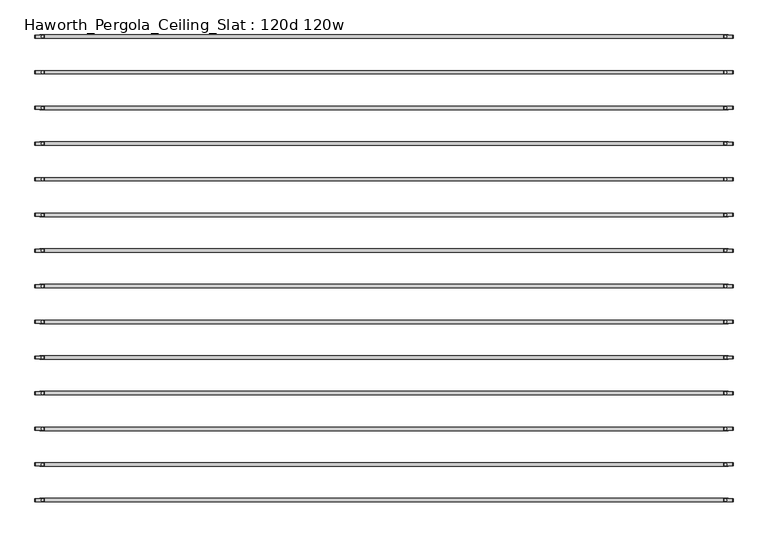
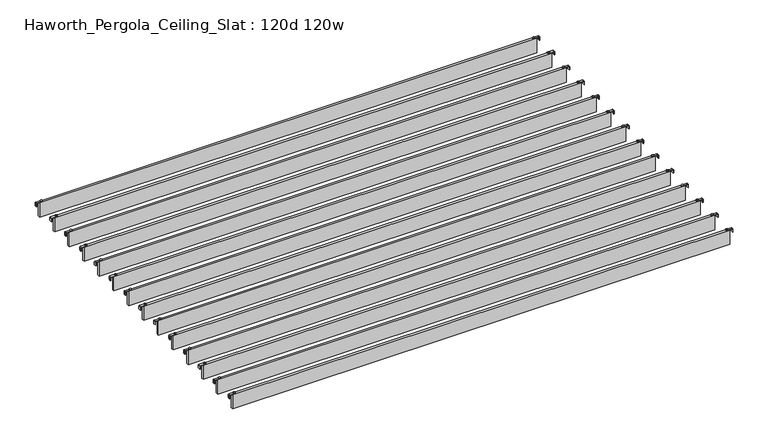
"""IFC4 building model written with IfcOpenShell, lengths in millimetres: furniture geometry, Haworth_Pergola_Ceiling_Slat : 120d 120w."""

from ifc_helpers import new_model, si_unit, point, frame, frame_2d, origin, place, context, project, spatial, polyline, circle_curve, trimmed, segment, composite_curve, outline, extrude, source, transform, mapped, element, save


def haworth_pergola_ceiling_slat_120d_120w_b44d343a(model_context):
    return source(origin(), model_context, "Body", "SweptSolid", [
        extrude(outline(composite_curve([segment(trimmed(circle_curve(frame_2d((1548.4, 2.1456316)), 5.9838099), [point((1542.4161901, 2.1456316))], [point((1554.3838099, 2.1456316))], False, "CARTESIAN"), True, "CONTINUOUS"), segment(trimmed(circle_curve(frame_2d((1548.4, 2.1456316)), 5.9838099), [point((1554.3838099, 2.1456316))], [point((1542.4161901, 2.1456316))], False, "CARTESIAN"), True, "CONTINUOUS")], self_intersect=False)), frame((0.0, 0.0, 2440.9329992), z_axis=(0.0, 0.0, 1.0), x_axis=(1.0, 0.0, 0.0)), (0.0, 0.0, 1.0), 3.4400008),
        extrude(outline(composite_curve([segment(trimmed(circle_curve(frame_2d((-1472.2, 2.1456316)), 5.9838099), [point((-1466.2161901, 2.1456316))], [point((-1478.1838099, 2.1456316))], False, "CARTESIAN"), True, "CONTINUOUS"), segment(trimmed(circle_curve(frame_2d((-1472.2, 2.1456316)), 5.9838099), [point((-1478.1838099, 2.1456316))], [point((-1466.2161901, 2.1456316))], False, "CARTESIAN"), True, "CONTINUOUS")], self_intersect=False)), frame((0.0, 0.0, 2440.9329992), z_axis=(0.0, 0.0, 1.0), x_axis=(1.0, 0.0, 0.0)), (0.0, 0.0, 1.0), 3.4400008),
        extrude(outline(composite_curve([segment(polyline([(2419.2231711, 1582.56), (2437.2499992, 1582.56)]), True, "CONTINUOUS"), segment(trimmed(circle_curve(frame_2d((2437.2499992, 1578.877)), 3.683), [point((2437.2499992, 1582.56))], [point((2440.9329992, 1578.877))], False, "CARTESIAN"), True, "CONTINUOUS"), segment(polyline([(2440.9329992, 1578.877), (2440.9329992, 1541.9), (2438.2729997, 1541.9), (2438.2729997, 1578.8905568)]), True, "CONTINUOUS"), segment(trimmed(circle_curve(frame_2d((2437.2635571, 1578.8905568)), 1.0094425), [point((2438.2729997, 1578.8905568))], [point((2437.2635571, 1579.8999993))], True, "CARTESIAN"), True, "CONTINUOUS"), segment(polyline([(2437.2635571, 1579.8999993), (2419.2231711, 1579.8999993), (2419.2231711, 1582.56)]), True, "CONTINUOUS")], self_intersect=False)), frame((0.0, -4.3473688, 0.0), z_axis=(0.0, 1.0, 0.0), x_axis=(0.0, 0.0, 1.0)), (0.0, 0.0, 1.0), 13.0),
        extrude(outline(composite_curve([segment(polyline([(2419.2231711, -1506.36), (2419.2231711, -1503.6999993), (2437.2635571, -1503.6999993)]), True, "CONTINUOUS"), segment(trimmed(circle_curve(frame_2d((2437.2635571, -1502.6905568)), 1.0094425), [point((2437.2635571, -1503.6999993))], [point((2438.2729997, -1502.6905568))], True, "CARTESIAN"), True, "CONTINUOUS"), segment(polyline([(2438.2729997, -1502.6905568), (2438.2729997, -1465.7), (2440.9329992, -1465.7), (2440.9329992, -1502.677)]), True, "CONTINUOUS"), segment(trimmed(circle_curve(frame_2d((2437.2499992, -1502.677)), 3.683), [point((2440.9329992, -1502.677))], [point((2437.2499992, -1506.36))], False, "CARTESIAN"), True, "CONTINUOUS"), segment(polyline([(2437.2499992, -1506.36), (2419.2231711, -1506.36)]), True, "CONTINUOUS")], self_intersect=False)), frame((0.0, -4.3473688, 0.0), z_axis=(0.0, 1.0, 0.0), x_axis=(0.0, 0.0, 1.0)), (0.0, 0.0, 1.0), 13.0),
        extrude(outline(polyline([(-1485.9, -5.3473684), (-1485.9, 9.6386316), (1562.1, 9.6386316), (1562.1, -5.3473684), (-1485.9, -5.3473684)])), frame((0.0, 0.0, 2346.198), z_axis=(0.0, 0.0, 1.0), x_axis=(1.0, 0.0, 0.0)), (0.0, 0.0, 1.0), 92.202),
        extrude(outline(composite_curve([segment(trimmed(circle_curve(frame_2d((1548.4, -155.6017368)), 5.9838099), [point((1542.4161901, -155.6017368))], [point((1554.3838099, -155.6017368))], False, "CARTESIAN"), True, "CONTINUOUS"), segment(trimmed(circle_curve(frame_2d((1548.4, -155.6017368)), 5.9838099), [point((1554.3838099, -155.6017368))], [point((1542.4161901, -155.6017368))], False, "CARTESIAN"), True, "CONTINUOUS")], self_intersect=False)), frame((0.0, 0.0, 2440.9329992), z_axis=(0.0, 0.0, 1.0), x_axis=(1.0, 0.0, 0.0)), (0.0, 0.0, 1.0), 3.4400008),
        extrude(outline(composite_curve([segment(trimmed(circle_curve(frame_2d((-1472.2, -155.6017368)), 5.9838099), [point((-1466.2161901, -155.6017368))], [point((-1478.1838099, -155.6017368))], False, "CARTESIAN"), True, "CONTINUOUS"), segment(trimmed(circle_curve(frame_2d((-1472.2, -155.6017368)), 5.9838099), [point((-1478.1838099, -155.6017368))], [point((-1466.2161901, -155.6017368))], False, "CARTESIAN"), True, "CONTINUOUS")], self_intersect=False)), frame((0.0, 0.0, 2440.9329992), z_axis=(0.0, 0.0, 1.0), x_axis=(1.0, 0.0, 0.0)), (0.0, 0.0, 1.0), 3.4400008),
        extrude(outline(composite_curve([segment(polyline([(2419.2231711, 1582.56), (2437.2499992, 1582.56)]), True, "CONTINUOUS"), segment(trimmed(circle_curve(frame_2d((2437.2499992, 1578.877)), 3.683), [point((2437.2499992, 1582.56))], [point((2440.9329992, 1578.877))], False, "CARTESIAN"), True, "CONTINUOUS"), segment(polyline([(2440.9329992, 1578.877), (2440.9329992, 1541.9), (2438.2729997, 1541.9), (2438.2729997, 1578.8905568)]), True, "CONTINUOUS"), segment(trimmed(circle_curve(frame_2d((2437.2635571, 1578.8905568)), 1.0094425), [point((2438.2729997, 1578.8905568))], [point((2437.2635571, 1579.8999993))], True, "CARTESIAN"), True, "CONTINUOUS"), segment(polyline([(2437.2635571, 1579.8999993), (2419.2231711, 1579.8999993), (2419.2231711, 1582.56)]), True, "CONTINUOUS")], self_intersect=False)), frame((0.0, -162.0947372, 0.0), z_axis=(0.0, 1.0, 0.0), x_axis=(0.0, 0.0, 1.0)), (0.0, 0.0, 1.0), 13.0),
        extrude(outline(composite_curve([segment(polyline([(2419.2231711, -1506.36), (2419.2231711, -1503.6999993), (2437.2635571, -1503.6999993)]), True, "CONTINUOUS"), segment(trimmed(circle_curve(frame_2d((2437.2635571, -1502.6905568)), 1.0094425), [point((2437.2635571, -1503.6999993))], [point((2438.2729997, -1502.6905568))], True, "CARTESIAN"), True, "CONTINUOUS"), segment(polyline([(2438.2729997, -1502.6905568), (2438.2729997, -1465.7), (2440.9329992, -1465.7), (2440.9329992, -1502.677)]), True, "CONTINUOUS"), segment(trimmed(circle_curve(frame_2d((2437.2499992, -1502.677)), 3.683), [point((2440.9329992, -1502.677))], [point((2437.2499992, -1506.36))], False, "CARTESIAN"), True, "CONTINUOUS"), segment(polyline([(2437.2499992, -1506.36), (2419.2231711, -1506.36)]), True, "CONTINUOUS")], self_intersect=False)), frame((0.0, -162.0947372, 0.0), z_axis=(0.0, 1.0, 0.0), x_axis=(0.0, 0.0, 1.0)), (0.0, 0.0, 1.0), 13.0),
        extrude(outline(polyline([(-1485.9, -163.0947368), (-1485.9, -148.1087368), (1562.1, -148.1087368), (1562.1, -163.0947368), (-1485.9, -163.0947368)])), frame((0.0, 0.0, 2346.198), z_axis=(0.0, 0.0, 1.0), x_axis=(1.0, 0.0, 0.0)), (0.0, 0.0, 1.0), 92.202),
        extrude(outline(composite_curve([segment(trimmed(circle_curve(frame_2d((1548.4, -313.3491053)), 5.9838099), [point((1542.4161901, -313.3491053))], [point((1554.3838099, -313.3491053))], False, "CARTESIAN"), True, "CONTINUOUS"), segment(trimmed(circle_curve(frame_2d((1548.4, -313.3491053)), 5.9838099), [point((1554.3838099, -313.3491053))], [point((1542.4161901, -313.3491053))], False, "CARTESIAN"), True, "CONTINUOUS")], self_intersect=False)), frame((0.0, 0.0, 2440.9329992), z_axis=(0.0, 0.0, 1.0), x_axis=(1.0, 0.0, 0.0)), (0.0, 0.0, 1.0), 3.4400008),
        extrude(outline(composite_curve([segment(trimmed(circle_curve(frame_2d((-1472.2, -313.3491053)), 5.9838099), [point((-1466.2161901, -313.3491053))], [point((-1478.1838099, -313.3491053))], False, "CARTESIAN"), True, "CONTINUOUS"), segment(trimmed(circle_curve(frame_2d((-1472.2, -313.3491053)), 5.9838099), [point((-1478.1838099, -313.3491053))], [point((-1466.2161901, -313.3491053))], False, "CARTESIAN"), True, "CONTINUOUS")], self_intersect=False)), frame((0.0, 0.0, 2440.9329992), z_axis=(0.0, 0.0, 1.0), x_axis=(1.0, 0.0, 0.0)), (0.0, 0.0, 1.0), 3.4400008),
        extrude(outline(composite_curve([segment(polyline([(2419.2231711, 1582.56), (2437.2499992, 1582.56)]), True, "CONTINUOUS"), segment(trimmed(circle_curve(frame_2d((2437.2499992, 1578.877)), 3.683), [point((2437.2499992, 1582.56))], [point((2440.9329992, 1578.877))], False, "CARTESIAN"), True, "CONTINUOUS"), segment(polyline([(2440.9329992, 1578.877), (2440.9329992, 1541.9), (2438.2729997, 1541.9), (2438.2729997, 1578.8905568)]), True, "CONTINUOUS"), segment(trimmed(circle_curve(frame_2d((2437.2635571, 1578.8905568)), 1.0094425), [point((2438.2729997, 1578.8905568))], [point((2437.2635571, 1579.8999993))], True, "CARTESIAN"), True, "CONTINUOUS"), segment(polyline([(2437.2635571, 1579.8999993), (2419.2231711, 1579.8999993), (2419.2231711, 1582.56)]), True, "CONTINUOUS")], self_intersect=False)), frame((0.0, -319.8421056, 0.0), z_axis=(0.0, 1.0, 0.0), x_axis=(0.0, 0.0, 1.0)), (0.0, 0.0, 1.0), 13.0),
        extrude(outline(composite_curve([segment(polyline([(2419.2231711, -1506.36), (2419.2231711, -1503.6999993), (2437.2635571, -1503.6999993)]), True, "CONTINUOUS"), segment(trimmed(circle_curve(frame_2d((2437.2635571, -1502.6905568)), 1.0094425), [point((2437.2635571, -1503.6999993))], [point((2438.2729997, -1502.6905568))], True, "CARTESIAN"), True, "CONTINUOUS"), segment(polyline([(2438.2729997, -1502.6905568), (2438.2729997, -1465.7), (2440.9329992, -1465.7), (2440.9329992, -1502.677)]), True, "CONTINUOUS"), segment(trimmed(circle_curve(frame_2d((2437.2499992, -1502.677)), 3.683), [point((2440.9329992, -1502.677))], [point((2437.2499992, -1506.36))], False, "CARTESIAN"), True, "CONTINUOUS"), segment(polyline([(2437.2499992, -1506.36), (2419.2231711, -1506.36)]), True, "CONTINUOUS")], self_intersect=False)), frame((0.0, -319.8421056, 0.0), z_axis=(0.0, 1.0, 0.0), x_axis=(0.0, 0.0, 1.0)), (0.0, 0.0, 1.0), 13.0),
        extrude(outline(polyline([(-1485.9, -320.8421053), (-1485.9, -305.8561053), (1562.1, -305.8561053), (1562.1, -320.8421053), (-1485.9, -320.8421053)])), frame((0.0, 0.0, 2346.198), z_axis=(0.0, 0.0, 1.0), x_axis=(1.0, 0.0, 0.0)), (0.0, 0.0, 1.0), 92.202),
        extrude(outline(composite_curve([segment(trimmed(circle_curve(frame_2d((1548.4, -471.0964737)), 5.9838099), [point((1542.4161901, -471.0964737))], [point((1554.3838099, -471.0964737))], False, "CARTESIAN"), True, "CONTINUOUS"), segment(trimmed(circle_curve(frame_2d((1548.4, -471.0964737)), 5.9838099), [point((1554.3838099, -471.0964737))], [point((1542.4161901, -471.0964737))], False, "CARTESIAN"), True, "CONTINUOUS")], self_intersect=False)), frame((0.0, 0.0, 2440.9329992), z_axis=(0.0, 0.0, 1.0), x_axis=(1.0, 0.0, 0.0)), (0.0, 0.0, 1.0), 3.4400008),
        extrude(outline(composite_curve([segment(trimmed(circle_curve(frame_2d((-1472.2, -471.0964737)), 5.9838099), [point((-1466.2161901, -471.0964737))], [point((-1478.1838099, -471.0964737))], False, "CARTESIAN"), True, "CONTINUOUS"), segment(trimmed(circle_curve(frame_2d((-1472.2, -471.0964737)), 5.9838099), [point((-1478.1838099, -471.0964737))], [point((-1466.2161901, -471.0964737))], False, "CARTESIAN"), True, "CONTINUOUS")], self_intersect=False)), frame((0.0, 0.0, 2440.9329992), z_axis=(0.0, 0.0, 1.0), x_axis=(1.0, 0.0, 0.0)), (0.0, 0.0, 1.0), 3.4400008),
        extrude(outline(composite_curve([segment(polyline([(2419.2231711, 1582.56), (2437.2499992, 1582.56)]), True, "CONTINUOUS"), segment(trimmed(circle_curve(frame_2d((2437.2499992, 1578.877)), 3.683), [point((2437.2499992, 1582.56))], [point((2440.9329992, 1578.877))], False, "CARTESIAN"), True, "CONTINUOUS"), segment(polyline([(2440.9329992, 1578.877), (2440.9329992, 1541.9), (2438.2729997, 1541.9), (2438.2729997, 1578.8905568)]), True, "CONTINUOUS"), segment(trimmed(circle_curve(frame_2d((2437.2635571, 1578.8905568)), 1.0094425), [point((2438.2729997, 1578.8905568))], [point((2437.2635571, 1579.8999993))], True, "CARTESIAN"), True, "CONTINUOUS"), segment(polyline([(2437.2635571, 1579.8999993), (2419.2231711, 1579.8999993), (2419.2231711, 1582.56)]), True, "CONTINUOUS")], self_intersect=False)), frame((0.0, -477.589474, 0.0), z_axis=(0.0, 1.0, 0.0), x_axis=(0.0, 0.0, 1.0)), (0.0, 0.0, 1.0), 13.0),
        extrude(outline(composite_curve([segment(polyline([(2419.2231711, -1506.36), (2419.2231711, -1503.6999993), (2437.2635571, -1503.6999993)]), True, "CONTINUOUS"), segment(trimmed(circle_curve(frame_2d((2437.2635571, -1502.6905568)), 1.0094425), [point((2437.2635571, -1503.6999993))], [point((2438.2729997, -1502.6905568))], True, "CARTESIAN"), True, "CONTINUOUS"), segment(polyline([(2438.2729997, -1502.6905568), (2438.2729997, -1465.7), (2440.9329992, -1465.7), (2440.9329992, -1502.677)]), True, "CONTINUOUS"), segment(trimmed(circle_curve(frame_2d((2437.2499992, -1502.677)), 3.683), [point((2440.9329992, -1502.677))], [point((2437.2499992, -1506.36))], False, "CARTESIAN"), True, "CONTINUOUS"), segment(polyline([(2437.2499992, -1506.36), (2419.2231711, -1506.36)]), True, "CONTINUOUS")], self_intersect=False)), frame((0.0, -477.589474, 0.0), z_axis=(0.0, 1.0, 0.0), x_axis=(0.0, 0.0, 1.0)), (0.0, 0.0, 1.0), 13.0),
        extrude(outline(polyline([(-1485.9, -478.5894737), (-1485.9, -463.6034737), (1562.1, -463.6034737), (1562.1, -478.5894737), (-1485.9, -478.5894737)])), frame((0.0, 0.0, 2346.198), z_axis=(0.0, 0.0, 1.0), x_axis=(1.0, 0.0, 0.0)), (0.0, 0.0, 1.0), 92.202),
        extrude(outline(composite_curve([segment(trimmed(circle_curve(frame_2d((1548.4, -628.8438421)), 5.9838099), [point((1542.4161901, -628.8438421))], [point((1554.3838099, -628.8438421))], False, "CARTESIAN"), True, "CONTINUOUS"), segment(trimmed(circle_curve(frame_2d((1548.4, -628.8438421)), 5.9838099), [point((1554.3838099, -628.8438421))], [point((1542.4161901, -628.8438421))], False, "CARTESIAN"), True, "CONTINUOUS")], self_intersect=False)), frame((0.0, 0.0, 2440.9329992), z_axis=(0.0, 0.0, 1.0), x_axis=(1.0, 0.0, 0.0)), (0.0, 0.0, 1.0), 3.4400008),
        extrude(outline(composite_curve([segment(trimmed(circle_curve(frame_2d((-1472.2, -628.8438421)), 5.9838099), [point((-1466.2161901, -628.8438421))], [point((-1478.1838099, -628.8438421))], False, "CARTESIAN"), True, "CONTINUOUS"), segment(trimmed(circle_curve(frame_2d((-1472.2, -628.8438421)), 5.9838099), [point((-1478.1838099, -628.8438421))], [point((-1466.2161901, -628.8438421))], False, "CARTESIAN"), True, "CONTINUOUS")], self_intersect=False)), frame((0.0, 0.0, 2440.9329992), z_axis=(0.0, 0.0, 1.0), x_axis=(1.0, 0.0, 0.0)), (0.0, 0.0, 1.0), 3.4400008),
        extrude(outline(composite_curve([segment(polyline([(2419.2231711, 1582.56), (2437.2499992, 1582.56)]), True, "CONTINUOUS"), segment(trimmed(circle_curve(frame_2d((2437.2499992, 1578.877)), 3.683), [point((2437.2499992, 1582.56))], [point((2440.9329992, 1578.877))], False, "CARTESIAN"), True, "CONTINUOUS"), segment(polyline([(2440.9329992, 1578.877), (2440.9329992, 1541.9), (2438.2729997, 1541.9), (2438.2729997, 1578.8905568)]), True, "CONTINUOUS"), segment(trimmed(circle_curve(frame_2d((2437.2635571, 1578.8905568)), 1.0094425), [point((2438.2729997, 1578.8905568))], [point((2437.2635571, 1579.8999993))], True, "CARTESIAN"), True, "CONTINUOUS"), segment(polyline([(2437.2635571, 1579.8999993), (2419.2231711, 1579.8999993), (2419.2231711, 1582.56)]), True, "CONTINUOUS")], self_intersect=False)), frame((0.0, -635.3368424, 0.0), z_axis=(0.0, 1.0, 0.0), x_axis=(0.0, 0.0, 1.0)), (0.0, 0.0, 1.0), 13.0),
        extrude(outline(composite_curve([segment(polyline([(2419.2231711, -1506.36), (2419.2231711, -1503.6999993), (2437.2635571, -1503.6999993)]), True, "CONTINUOUS"), segment(trimmed(circle_curve(frame_2d((2437.2635571, -1502.6905568)), 1.0094425), [point((2437.2635571, -1503.6999993))], [point((2438.2729997, -1502.6905568))], True, "CARTESIAN"), True, "CONTINUOUS"), segment(polyline([(2438.2729997, -1502.6905568), (2438.2729997, -1465.7), (2440.9329992, -1465.7), (2440.9329992, -1502.677)]), True, "CONTINUOUS"), segment(trimmed(circle_curve(frame_2d((2437.2499992, -1502.677)), 3.683), [point((2440.9329992, -1502.677))], [point((2437.2499992, -1506.36))], False, "CARTESIAN"), True, "CONTINUOUS"), segment(polyline([(2437.2499992, -1506.36), (2419.2231711, -1506.36)]), True, "CONTINUOUS")], self_intersect=False)), frame((0.0, -635.3368424, 0.0), z_axis=(0.0, 1.0, 0.0), x_axis=(0.0, 0.0, 1.0)), (0.0, 0.0, 1.0), 13.0),
        extrude(outline(polyline([(-1485.9, -636.3368421), (-1485.9, -621.3508421), (1562.1, -621.3508421), (1562.1, -636.3368421), (-1485.9, -636.3368421)])), frame((0.0, 0.0, 2346.198), z_axis=(0.0, 0.0, 1.0), x_axis=(1.0, 0.0, 0.0)), (0.0, 0.0, 1.0), 92.202),
        extrude(outline(composite_curve([segment(trimmed(circle_curve(frame_2d((1548.4, -786.5912105)), 5.9838099), [point((1542.4161901, -786.5912105))], [point((1554.3838099, -786.5912105))], False, "CARTESIAN"), True, "CONTINUOUS"), segment(trimmed(circle_curve(frame_2d((1548.4, -786.5912105)), 5.9838099), [point((1554.3838099, -786.5912105))], [point((1542.4161901, -786.5912105))], False, "CARTESIAN"), True, "CONTINUOUS")], self_intersect=False)), frame((0.0, 0.0, 2440.9329992), z_axis=(0.0, 0.0, 1.0), x_axis=(1.0, 0.0, 0.0)), (0.0, 0.0, 1.0), 3.4400008),
        extrude(outline(composite_curve([segment(trimmed(circle_curve(frame_2d((-1472.2, -786.5912105)), 5.9838099), [point((-1466.2161901, -786.5912105))], [point((-1478.1838099, -786.5912105))], False, "CARTESIAN"), True, "CONTINUOUS"), segment(trimmed(circle_curve(frame_2d((-1472.2, -786.5912105)), 5.9838099), [point((-1478.1838099, -786.5912105))], [point((-1466.2161901, -786.5912105))], False, "CARTESIAN"), True, "CONTINUOUS")], self_intersect=False)), frame((0.0, 0.0, 2440.9329992), z_axis=(0.0, 0.0, 1.0), x_axis=(1.0, 0.0, 0.0)), (0.0, 0.0, 1.0), 3.4400008),
        extrude(outline(composite_curve([segment(polyline([(2419.2231711, 1582.56), (2437.2499992, 1582.56)]), True, "CONTINUOUS"), segment(trimmed(circle_curve(frame_2d((2437.2499992, 1578.877)), 3.683), [point((2437.2499992, 1582.56))], [point((2440.9329992, 1578.877))], False, "CARTESIAN"), True, "CONTINUOUS"), segment(polyline([(2440.9329992, 1578.877), (2440.9329992, 1541.9), (2438.2729997, 1541.9), (2438.2729997, 1578.8905568)]), True, "CONTINUOUS"), segment(trimmed(circle_curve(frame_2d((2437.2635571, 1578.8905568)), 1.0094425), [point((2438.2729997, 1578.8905568))], [point((2437.2635571, 1579.8999993))], True, "CARTESIAN"), True, "CONTINUOUS"), segment(polyline([(2437.2635571, 1579.8999993), (2419.2231711, 1579.8999993), (2419.2231711, 1582.56)]), True, "CONTINUOUS")], self_intersect=False)), frame((0.0, -793.0842109, 0.0), z_axis=(0.0, 1.0, 0.0), x_axis=(0.0, 0.0, 1.0)), (0.0, 0.0, 1.0), 13.0),
        extrude(outline(composite_curve([segment(polyline([(2419.2231711, -1506.36), (2419.2231711, -1503.6999993), (2437.2635571, -1503.6999993)]), True, "CONTINUOUS"), segment(trimmed(circle_curve(frame_2d((2437.2635571, -1502.6905568)), 1.0094425), [point((2437.2635571, -1503.6999993))], [point((2438.2729997, -1502.6905568))], True, "CARTESIAN"), True, "CONTINUOUS"), segment(polyline([(2438.2729997, -1502.6905568), (2438.2729997, -1465.7), (2440.9329992, -1465.7), (2440.9329992, -1502.677)]), True, "CONTINUOUS"), segment(trimmed(circle_curve(frame_2d((2437.2499992, -1502.677)), 3.683), [point((2440.9329992, -1502.677))], [point((2437.2499992, -1506.36))], False, "CARTESIAN"), True, "CONTINUOUS"), segment(polyline([(2437.2499992, -1506.36), (2419.2231711, -1506.36)]), True, "CONTINUOUS")], self_intersect=False)), frame((0.0, -793.0842109, 0.0), z_axis=(0.0, 1.0, 0.0), x_axis=(0.0, 0.0, 1.0)), (0.0, 0.0, 1.0), 13.0),
        extrude(outline(polyline([(-1485.9, -794.0842105), (-1485.9, -779.0982105), (1562.1, -779.0982105), (1562.1, -794.0842105), (-1485.9, -794.0842105)])), frame((0.0, 0.0, 2346.198), z_axis=(0.0, 0.0, 1.0), x_axis=(1.0, 0.0, 0.0)), (0.0, 0.0, 1.0), 92.202),
        extrude(outline(composite_curve([segment(trimmed(circle_curve(frame_2d((1548.4, -944.3385789)), 5.9838099), [point((1542.4161901, -944.3385789))], [point((1554.3838099, -944.3385789))], False, "CARTESIAN"), True, "CONTINUOUS"), segment(trimmed(circle_curve(frame_2d((1548.4, -944.3385789)), 5.9838099), [point((1554.3838099, -944.3385789))], [point((1542.4161901, -944.3385789))], False, "CARTESIAN"), True, "CONTINUOUS")], self_intersect=False)), frame((0.0, 0.0, 2440.9329992), z_axis=(0.0, 0.0, 1.0), x_axis=(1.0, 0.0, 0.0)), (0.0, 0.0, 1.0), 3.4400008),
        extrude(outline(composite_curve([segment(trimmed(circle_curve(frame_2d((-1472.2, -944.3385789)), 5.9838099), [point((-1466.2161901, -944.3385789))], [point((-1478.1838099, -944.3385789))], False, "CARTESIAN"), True, "CONTINUOUS"), segment(trimmed(circle_curve(frame_2d((-1472.2, -944.3385789)), 5.9838099), [point((-1478.1838099, -944.3385789))], [point((-1466.2161901, -944.3385789))], False, "CARTESIAN"), True, "CONTINUOUS")], self_intersect=False)), frame((0.0, 0.0, 2440.9329992), z_axis=(0.0, 0.0, 1.0), x_axis=(1.0, 0.0, 0.0)), (0.0, 0.0, 1.0), 3.4400008),
        extrude(outline(composite_curve([segment(polyline([(2419.2231711, 1582.56), (2437.2499992, 1582.56)]), True, "CONTINUOUS"), segment(trimmed(circle_curve(frame_2d((2437.2499992, 1578.877)), 3.683), [point((2437.2499992, 1582.56))], [point((2440.9329992, 1578.877))], False, "CARTESIAN"), True, "CONTINUOUS"), segment(polyline([(2440.9329992, 1578.877), (2440.9329992, 1541.9), (2438.2729997, 1541.9), (2438.2729997, 1578.8905568)]), True, "CONTINUOUS"), segment(trimmed(circle_curve(frame_2d((2437.2635571, 1578.8905568)), 1.0094425), [point((2438.2729997, 1578.8905568))], [point((2437.2635571, 1579.8999993))], True, "CARTESIAN"), True, "CONTINUOUS"), segment(polyline([(2437.2635571, 1579.8999993), (2419.2231711, 1579.8999993), (2419.2231711, 1582.56)]), True, "CONTINUOUS")], self_intersect=False)), frame((0.0, -950.8315793, 0.0), z_axis=(0.0, 1.0, 0.0), x_axis=(0.0, 0.0, 1.0)), (0.0, 0.0, 1.0), 13.0),
        extrude(outline(composite_curve([segment(polyline([(2419.2231711, -1506.36), (2419.2231711, -1503.6999993), (2437.2635571, -1503.6999993)]), True, "CONTINUOUS"), segment(trimmed(circle_curve(frame_2d((2437.2635571, -1502.6905568)), 1.0094425), [point((2437.2635571, -1503.6999993))], [point((2438.2729997, -1502.6905568))], True, "CARTESIAN"), True, "CONTINUOUS"), segment(polyline([(2438.2729997, -1502.6905568), (2438.2729997, -1465.7), (2440.9329992, -1465.7), (2440.9329992, -1502.677)]), True, "CONTINUOUS"), segment(trimmed(circle_curve(frame_2d((2437.2499992, -1502.677)), 3.683), [point((2440.9329992, -1502.677))], [point((2437.2499992, -1506.36))], False, "CARTESIAN"), True, "CONTINUOUS"), segment(polyline([(2437.2499992, -1506.36), (2419.2231711, -1506.36)]), True, "CONTINUOUS")], self_intersect=False)), frame((0.0, -950.8315793, 0.0), z_axis=(0.0, 1.0, 0.0), x_axis=(0.0, 0.0, 1.0)), (0.0, 0.0, 1.0), 13.0),
        extrude(outline(polyline([(-1485.9, -951.8315789), (-1485.9, -936.8455789), (1562.1, -936.8455789), (1562.1, -951.8315789), (-1485.9, -951.8315789)])), frame((0.0, 0.0, 2346.198), z_axis=(0.0, 0.0, 1.0), x_axis=(1.0, 0.0, 0.0)), (0.0, 0.0, 1.0), 92.202),
        extrude(outline(composite_curve([segment(trimmed(circle_curve(frame_2d((1548.4, -1102.0859474)), 5.9838099), [point((1542.4161901, -1102.0859474))], [point((1554.3838099, -1102.0859474))], False, "CARTESIAN"), True, "CONTINUOUS"), segment(trimmed(circle_curve(frame_2d((1548.4, -1102.0859474)), 5.9838099), [point((1554.3838099, -1102.0859474))], [point((1542.4161901, -1102.0859474))], False, "CARTESIAN"), True, "CONTINUOUS")], self_intersect=False)), frame((0.0, 0.0, 2440.9329992), z_axis=(0.0, 0.0, 1.0), x_axis=(1.0, 0.0, 0.0)), (0.0, 0.0, 1.0), 3.4400008),
        extrude(outline(composite_curve([segment(trimmed(circle_curve(frame_2d((-1472.2, -1102.0859474)), 5.9838099), [point((-1466.2161901, -1102.0859474))], [point((-1478.1838099, -1102.0859474))], False, "CARTESIAN"), True, "CONTINUOUS"), segment(trimmed(circle_curve(frame_2d((-1472.2, -1102.0859474)), 5.9838099), [point((-1478.1838099, -1102.0859474))], [point((-1466.2161901, -1102.0859474))], False, "CARTESIAN"), True, "CONTINUOUS")], self_intersect=False)), frame((0.0, 0.0, 2440.9329992), z_axis=(0.0, 0.0, 1.0), x_axis=(1.0, 0.0, 0.0)), (0.0, 0.0, 1.0), 3.4400008),
        extrude(outline(composite_curve([segment(polyline([(2419.2231711, 1582.56), (2437.2499992, 1582.56)]), True, "CONTINUOUS"), segment(trimmed(circle_curve(frame_2d((2437.2499992, 1578.877)), 3.683), [point((2437.2499992, 1582.56))], [point((2440.9329992, 1578.877))], False, "CARTESIAN"), True, "CONTINUOUS"), segment(polyline([(2440.9329992, 1578.877), (2440.9329992, 1541.9), (2438.2729997, 1541.9), (2438.2729997, 1578.8905568)]), True, "CONTINUOUS"), segment(trimmed(circle_curve(frame_2d((2437.2635571, 1578.8905568)), 1.0094425), [point((2438.2729997, 1578.8905568))], [point((2437.2635571, 1579.8999993))], True, "CARTESIAN"), True, "CONTINUOUS"), segment(polyline([(2437.2635571, 1579.8999993), (2419.2231711, 1579.8999993), (2419.2231711, 1582.56)]), True, "CONTINUOUS")], self_intersect=False)), frame((0.0, -1108.5789477, 0.0), z_axis=(0.0, 1.0, 0.0), x_axis=(0.0, 0.0, 1.0)), (0.0, 0.0, 1.0), 13.0),
        extrude(outline(composite_curve([segment(polyline([(2419.2231711, -1506.36), (2419.2231711, -1503.6999993), (2437.2635571, -1503.6999993)]), True, "CONTINUOUS"), segment(trimmed(circle_curve(frame_2d((2437.2635571, -1502.6905568)), 1.0094425), [point((2437.2635571, -1503.6999993))], [point((2438.2729997, -1502.6905568))], True, "CARTESIAN"), True, "CONTINUOUS"), segment(polyline([(2438.2729997, -1502.6905568), (2438.2729997, -1465.7), (2440.9329992, -1465.7), (2440.9329992, -1502.677)]), True, "CONTINUOUS"), segment(trimmed(circle_curve(frame_2d((2437.2499992, -1502.677)), 3.683), [point((2440.9329992, -1502.677))], [point((2437.2499992, -1506.36))], False, "CARTESIAN"), True, "CONTINUOUS"), segment(polyline([(2437.2499992, -1506.36), (2419.2231711, -1506.36)]), True, "CONTINUOUS")], self_intersect=False)), frame((0.0, -1108.5789477, 0.0), z_axis=(0.0, 1.0, 0.0), x_axis=(0.0, 0.0, 1.0)), (0.0, 0.0, 1.0), 13.0),
        extrude(outline(polyline([(-1485.9, -1109.5789474), (-1485.9, -1094.5929474), (1562.1, -1094.5929474), (1562.1, -1109.5789474), (-1485.9, -1109.5789474)])), frame((0.0, 0.0, 2346.198), z_axis=(0.0, 0.0, 1.0), x_axis=(1.0, 0.0, 0.0)), (0.0, 0.0, 1.0), 92.202),
        extrude(outline(composite_curve([segment(trimmed(circle_curve(frame_2d((1548.4, -1259.8333158)), 5.9838099), [point((1542.4161901, -1259.8333158))], [point((1554.3838099, -1259.8333158))], False, "CARTESIAN"), True, "CONTINUOUS"), segment(trimmed(circle_curve(frame_2d((1548.4, -1259.8333158)), 5.9838099), [point((1554.3838099, -1259.8333158))], [point((1542.4161901, -1259.8333158))], False, "CARTESIAN"), True, "CONTINUOUS")], self_intersect=False)), frame((0.0, 0.0, 2440.9329992), z_axis=(0.0, 0.0, 1.0), x_axis=(1.0, 0.0, 0.0)), (0.0, 0.0, 1.0), 3.4400008),
        extrude(outline(composite_curve([segment(trimmed(circle_curve(frame_2d((-1472.2, -1259.8333158)), 5.9838099), [point((-1466.2161901, -1259.8333158))], [point((-1478.1838099, -1259.8333158))], False, "CARTESIAN"), True, "CONTINUOUS"), segment(trimmed(circle_curve(frame_2d((-1472.2, -1259.8333158)), 5.9838099), [point((-1478.1838099, -1259.8333158))], [point((-1466.2161901, -1259.8333158))], False, "CARTESIAN"), True, "CONTINUOUS")], self_intersect=False)), frame((0.0, 0.0, 2440.9329992), z_axis=(0.0, 0.0, 1.0), x_axis=(1.0, 0.0, 0.0)), (0.0, 0.0, 1.0), 3.4400008),
        extrude(outline(composite_curve([segment(polyline([(2419.2231711, 1582.56), (2437.2499992, 1582.56)]), True, "CONTINUOUS"), segment(trimmed(circle_curve(frame_2d((2437.2499992, 1578.877)), 3.683), [point((2437.2499992, 1582.56))], [point((2440.9329992, 1578.877))], False, "CARTESIAN"), True, "CONTINUOUS"), segment(polyline([(2440.9329992, 1578.877), (2440.9329992, 1541.9), (2438.2729997, 1541.9), (2438.2729997, 1578.8905568)]), True, "CONTINUOUS"), segment(trimmed(circle_curve(frame_2d((2437.2635571, 1578.8905568)), 1.0094425), [point((2438.2729997, 1578.8905568))], [point((2437.2635571, 1579.8999993))], True, "CARTESIAN"), True, "CONTINUOUS"), segment(polyline([(2437.2635571, 1579.8999993), (2419.2231711, 1579.8999993), (2419.2231711, 1582.56)]), True, "CONTINUOUS")], self_intersect=False)), frame((0.0, -1266.3263161, 0.0), z_axis=(0.0, 1.0, 0.0), x_axis=(0.0, 0.0, 1.0)), (0.0, 0.0, 1.0), 13.0),
        extrude(outline(composite_curve([segment(polyline([(2419.2231711, -1506.36), (2419.2231711, -1503.6999993), (2437.2635571, -1503.6999993)]), True, "CONTINUOUS"), segment(trimmed(circle_curve(frame_2d((2437.2635571, -1502.6905568)), 1.0094425), [point((2437.2635571, -1503.6999993))], [point((2438.2729997, -1502.6905568))], True, "CARTESIAN"), True, "CONTINUOUS"), segment(polyline([(2438.2729997, -1502.6905568), (2438.2729997, -1465.7), (2440.9329992, -1465.7), (2440.9329992, -1502.677)]), True, "CONTINUOUS"), segment(trimmed(circle_curve(frame_2d((2437.2499992, -1502.677)), 3.683), [point((2440.9329992, -1502.677))], [point((2437.2499992, -1506.36))], False, "CARTESIAN"), True, "CONTINUOUS"), segment(polyline([(2437.2499992, -1506.36), (2419.2231711, -1506.36)]), True, "CONTINUOUS")], self_intersect=False)), frame((0.0, -1266.3263161, 0.0), z_axis=(0.0, 1.0, 0.0), x_axis=(0.0, 0.0, 1.0)), (0.0, 0.0, 1.0), 13.0),
        extrude(outline(polyline([(-1485.9, -1267.3263158), (-1485.9, -1252.3403158), (1562.1, -1252.3403158), (1562.1, -1267.3263158), (-1485.9, -1267.3263158)])), frame((0.0, 0.0, 2346.198), z_axis=(0.0, 0.0, 1.0), x_axis=(1.0, 0.0, 0.0)), (0.0, 0.0, 1.0), 92.202),
        extrude(outline(composite_curve([segment(trimmed(circle_curve(frame_2d((1548.4, -1417.5806842)), 5.9838099), [point((1542.4161901, -1417.5806842))], [point((1554.3838099, -1417.5806842))], False, "CARTESIAN"), True, "CONTINUOUS"), segment(trimmed(circle_curve(frame_2d((1548.4, -1417.5806842)), 5.9838099), [point((1554.3838099, -1417.5806842))], [point((1542.4161901, -1417.5806842))], False, "CARTESIAN"), True, "CONTINUOUS")], self_intersect=False)), frame((0.0, 0.0, 2440.9329992), z_axis=(0.0, 0.0, 1.0), x_axis=(1.0, 0.0, 0.0)), (0.0, 0.0, 1.0), 3.4400008),
        extrude(outline(composite_curve([segment(trimmed(circle_curve(frame_2d((-1472.2, -1417.5806842)), 5.9838099), [point((-1466.2161901, -1417.5806842))], [point((-1478.1838099, -1417.5806842))], False, "CARTESIAN"), True, "CONTINUOUS"), segment(trimmed(circle_curve(frame_2d((-1472.2, -1417.5806842)), 5.9838099), [point((-1478.1838099, -1417.5806842))], [point((-1466.2161901, -1417.5806842))], False, "CARTESIAN"), True, "CONTINUOUS")], self_intersect=False)), frame((0.0, 0.0, 2440.9329992), z_axis=(0.0, 0.0, 1.0), x_axis=(1.0, 0.0, 0.0)), (0.0, 0.0, 1.0), 3.4400008),
        extrude(outline(composite_curve([segment(polyline([(2419.2231711, 1582.56), (2437.2499992, 1582.56)]), True, "CONTINUOUS"), segment(trimmed(circle_curve(frame_2d((2437.2499992, 1578.877)), 3.683), [point((2437.2499992, 1582.56))], [point((2440.9329992, 1578.877))], False, "CARTESIAN"), True, "CONTINUOUS"), segment(polyline([(2440.9329992, 1578.877), (2440.9329992, 1541.9), (2438.2729997, 1541.9), (2438.2729997, 1578.8905568)]), True, "CONTINUOUS"), segment(trimmed(circle_curve(frame_2d((2437.2635571, 1578.8905568)), 1.0094425), [point((2438.2729997, 1578.8905568))], [point((2437.2635571, 1579.8999993))], True, "CARTESIAN"), True, "CONTINUOUS"), segment(polyline([(2437.2635571, 1579.8999993), (2419.2231711, 1579.8999993), (2419.2231711, 1582.56)]), True, "CONTINUOUS")], self_intersect=False)), frame((0.0, -1424.0736846, 0.0), z_axis=(0.0, 1.0, 0.0), x_axis=(0.0, 0.0, 1.0)), (0.0, 0.0, 1.0), 13.0),
        extrude(outline(composite_curve([segment(polyline([(2419.2231711, -1506.36), (2419.2231711, -1503.6999993), (2437.2635571, -1503.6999993)]), True, "CONTINUOUS"), segment(trimmed(circle_curve(frame_2d((2437.2635571, -1502.6905568)), 1.0094425), [point((2437.2635571, -1503.6999993))], [point((2438.2729997, -1502.6905568))], True, "CARTESIAN"), True, "CONTINUOUS"), segment(polyline([(2438.2729997, -1502.6905568), (2438.2729997, -1465.7), (2440.9329992, -1465.7), (2440.9329992, -1502.677)]), True, "CONTINUOUS"), segment(trimmed(circle_curve(frame_2d((2437.2499992, -1502.677)), 3.683), [point((2440.9329992, -1502.677))], [point((2437.2499992, -1506.36))], False, "CARTESIAN"), True, "CONTINUOUS"), segment(polyline([(2437.2499992, -1506.36), (2419.2231711, -1506.36)]), True, "CONTINUOUS")], self_intersect=False)), frame((0.0, -1424.0736846, 0.0), z_axis=(0.0, 1.0, 0.0), x_axis=(0.0, 0.0, 1.0)), (0.0, 0.0, 1.0), 13.0),
        extrude(outline(polyline([(-1485.9, -1425.0736842), (-1485.9, -1410.0876842), (1562.1, -1410.0876842), (1562.1, -1425.0736842), (-1485.9, -1425.0736842)])), frame((0.0, 0.0, 2346.198), z_axis=(0.0, 0.0, 1.0), x_axis=(1.0, 0.0, 0.0)), (0.0, 0.0, 1.0), 92.202),
        extrude(outline(composite_curve([segment(trimmed(circle_curve(frame_2d((1548.4, -1575.3280526)), 5.9838099), [point((1542.4161901, -1575.3280526))], [point((1554.3838099, -1575.3280526))], False, "CARTESIAN"), True, "CONTINUOUS"), segment(trimmed(circle_curve(frame_2d((1548.4, -1575.3280526)), 5.9838099), [point((1554.3838099, -1575.3280526))], [point((1542.4161901, -1575.3280526))], False, "CARTESIAN"), True, "CONTINUOUS")], self_intersect=False)), frame((0.0, 0.0, 2440.9329992), z_axis=(0.0, 0.0, 1.0), x_axis=(1.0, 0.0, 0.0)), (0.0, 0.0, 1.0), 3.4400008),
        extrude(outline(composite_curve([segment(trimmed(circle_curve(frame_2d((-1472.2, -1575.3280526)), 5.9838099), [point((-1466.2161901, -1575.3280526))], [point((-1478.1838099, -1575.3280526))], False, "CARTESIAN"), True, "CONTINUOUS"), segment(trimmed(circle_curve(frame_2d((-1472.2, -1575.3280526)), 5.9838099), [point((-1478.1838099, -1575.3280526))], [point((-1466.2161901, -1575.3280526))], False, "CARTESIAN"), True, "CONTINUOUS")], self_intersect=False)), frame((0.0, 0.0, 2440.9329992), z_axis=(0.0, 0.0, 1.0), x_axis=(1.0, 0.0, 0.0)), (0.0, 0.0, 1.0), 3.4400008),
        extrude(outline(composite_curve([segment(polyline([(2419.2231711, 1582.56), (2437.2499992, 1582.56)]), True, "CONTINUOUS"), segment(trimmed(circle_curve(frame_2d((2437.2499992, 1578.877)), 3.683), [point((2437.2499992, 1582.56))], [point((2440.9329992, 1578.877))], False, "CARTESIAN"), True, "CONTINUOUS"), segment(polyline([(2440.9329992, 1578.877), (2440.9329992, 1541.9), (2438.2729997, 1541.9), (2438.2729997, 1578.8905568)]), True, "CONTINUOUS"), segment(trimmed(circle_curve(frame_2d((2437.2635571, 1578.8905568)), 1.0094425), [point((2438.2729997, 1578.8905568))], [point((2437.2635571, 1579.8999993))], True, "CARTESIAN"), True, "CONTINUOUS"), segment(polyline([(2437.2635571, 1579.8999993), (2419.2231711, 1579.8999993), (2419.2231711, 1582.56)]), True, "CONTINUOUS")], self_intersect=False)), frame((0.0, -1581.821053, 0.0), z_axis=(0.0, 1.0, 0.0), x_axis=(0.0, 0.0, 1.0)), (0.0, 0.0, 1.0), 13.0),
        extrude(outline(composite_curve([segment(polyline([(2419.2231711, -1506.36), (2419.2231711, -1503.6999993), (2437.2635571, -1503.6999993)]), True, "CONTINUOUS"), segment(trimmed(circle_curve(frame_2d((2437.2635571, -1502.6905568)), 1.0094425), [point((2437.2635571, -1503.6999993))], [point((2438.2729997, -1502.6905568))], True, "CARTESIAN"), True, "CONTINUOUS"), segment(polyline([(2438.2729997, -1502.6905568), (2438.2729997, -1465.7), (2440.9329992, -1465.7), (2440.9329992, -1502.677)]), True, "CONTINUOUS"), segment(trimmed(circle_curve(frame_2d((2437.2499992, -1502.677)), 3.683), [point((2440.9329992, -1502.677))], [point((2437.2499992, -1506.36))], False, "CARTESIAN"), True, "CONTINUOUS"), segment(polyline([(2437.2499992, -1506.36), (2419.2231711, -1506.36)]), True, "CONTINUOUS")], self_intersect=False)), frame((0.0, -1581.821053, 0.0), z_axis=(0.0, 1.0, 0.0), x_axis=(0.0, 0.0, 1.0)), (0.0, 0.0, 1.0), 13.0),
        extrude(outline(polyline([(-1485.9, -1582.8210526), (-1485.9, -1567.8350526), (1562.1, -1567.8350526), (1562.1, -1582.8210526), (-1485.9, -1582.8210526)])), frame((0.0, 0.0, 2346.198), z_axis=(0.0, 0.0, 1.0), x_axis=(1.0, 0.0, 0.0)), (0.0, 0.0, 1.0), 92.202),
        extrude(outline(composite_curve([segment(trimmed(circle_curve(frame_2d((1548.4, -1733.0754211)), 5.9838099), [point((1542.4161901, -1733.0754211))], [point((1554.3838099, -1733.0754211))], False, "CARTESIAN"), True, "CONTINUOUS"), segment(trimmed(circle_curve(frame_2d((1548.4, -1733.0754211)), 5.9838099), [point((1554.3838099, -1733.0754211))], [point((1542.4161901, -1733.0754211))], False, "CARTESIAN"), True, "CONTINUOUS")], self_intersect=False)), frame((0.0, 0.0, 2440.9329992), z_axis=(0.0, 0.0, 1.0), x_axis=(1.0, 0.0, 0.0)), (0.0, 0.0, 1.0), 3.4400008),
        extrude(outline(composite_curve([segment(trimmed(circle_curve(frame_2d((-1472.2, -1733.0754211)), 5.9838099), [point((-1466.2161901, -1733.0754211))], [point((-1478.1838099, -1733.0754211))], False, "CARTESIAN"), True, "CONTINUOUS"), segment(trimmed(circle_curve(frame_2d((-1472.2, -1733.0754211)), 5.9838099), [point((-1478.1838099, -1733.0754211))], [point((-1466.2161901, -1733.0754211))], False, "CARTESIAN"), True, "CONTINUOUS")], self_intersect=False)), frame((0.0, 0.0, 2440.9329992), z_axis=(0.0, 0.0, 1.0), x_axis=(1.0, 0.0, 0.0)), (0.0, 0.0, 1.0), 3.4400008),
        extrude(outline(composite_curve([segment(polyline([(2419.2231711, 1582.56), (2437.2499992, 1582.56)]), True, "CONTINUOUS"), segment(trimmed(circle_curve(frame_2d((2437.2499992, 1578.877)), 3.683), [point((2437.2499992, 1582.56))], [point((2440.9329992, 1578.877))], False, "CARTESIAN"), True, "CONTINUOUS"), segment(polyline([(2440.9329992, 1578.877), (2440.9329992, 1541.9), (2438.2729997, 1541.9), (2438.2729997, 1578.8905568)]), True, "CONTINUOUS"), segment(trimmed(circle_curve(frame_2d((2437.2635571, 1578.8905568)), 1.0094425), [point((2438.2729997, 1578.8905568))], [point((2437.2635571, 1579.8999993))], True, "CARTESIAN"), True, "CONTINUOUS"), segment(polyline([(2437.2635571, 1579.8999993), (2419.2231711, 1579.8999993), (2419.2231711, 1582.56)]), True, "CONTINUOUS")], self_intersect=False)), frame((0.0, -1739.5684214, 0.0), z_axis=(0.0, 1.0, 0.0), x_axis=(0.0, 0.0, 1.0)), (0.0, 0.0, 1.0), 13.0),
        extrude(outline(composite_curve([segment(polyline([(2419.2231711, -1506.36), (2419.2231711, -1503.6999993), (2437.2635571, -1503.6999993)]), True, "CONTINUOUS"), segment(trimmed(circle_curve(frame_2d((2437.2635571, -1502.6905568)), 1.0094425), [point((2437.2635571, -1503.6999993))], [point((2438.2729997, -1502.6905568))], True, "CARTESIAN"), True, "CONTINUOUS"), segment(polyline([(2438.2729997, -1502.6905568), (2438.2729997, -1465.7), (2440.9329992, -1465.7), (2440.9329992, -1502.677)]), True, "CONTINUOUS"), segment(trimmed(circle_curve(frame_2d((2437.2499992, -1502.677)), 3.683), [point((2440.9329992, -1502.677))], [point((2437.2499992, -1506.36))], False, "CARTESIAN"), True, "CONTINUOUS"), segment(polyline([(2437.2499992, -1506.36), (2419.2231711, -1506.36)]), True, "CONTINUOUS")], self_intersect=False)), frame((0.0, -1739.5684214, 0.0), z_axis=(0.0, 1.0, 0.0), x_axis=(0.0, 0.0, 1.0)), (0.0, 0.0, 1.0), 13.0),
        extrude(outline(polyline([(-1485.9, -1740.5684211), (-1485.9, -1725.5824211), (1562.1, -1725.5824211), (1562.1, -1740.5684211), (-1485.9, -1740.5684211)])), frame((0.0, 0.0, 2346.198), z_axis=(0.0, 0.0, 1.0), x_axis=(1.0, 0.0, 0.0)), (0.0, 0.0, 1.0), 92.202),
        extrude(outline(composite_curve([segment(trimmed(circle_curve(frame_2d((1548.4, -1890.8227895)), 5.9838099), [point((1542.4161901, -1890.8227895))], [point((1554.3838099, -1890.8227895))], False, "CARTESIAN"), True, "CONTINUOUS"), segment(trimmed(circle_curve(frame_2d((1548.4, -1890.8227895)), 5.9838099), [point((1554.3838099, -1890.8227895))], [point((1542.4161901, -1890.8227895))], False, "CARTESIAN"), True, "CONTINUOUS")], self_intersect=False)), frame((0.0, 0.0, 2440.9329992), z_axis=(0.0, 0.0, 1.0), x_axis=(1.0, 0.0, 0.0)), (0.0, 0.0, 1.0), 3.4400008),
        extrude(outline(composite_curve([segment(trimmed(circle_curve(frame_2d((-1472.2, -1890.8227895)), 5.9838099), [point((-1466.2161901, -1890.8227895))], [point((-1478.1838099, -1890.8227895))], False, "CARTESIAN"), True, "CONTINUOUS"), segment(trimmed(circle_curve(frame_2d((-1472.2, -1890.8227895)), 5.9838099), [point((-1478.1838099, -1890.8227895))], [point((-1466.2161901, -1890.8227895))], False, "CARTESIAN"), True, "CONTINUOUS")], self_intersect=False)), frame((0.0, 0.0, 2440.9329992), z_axis=(0.0, 0.0, 1.0), x_axis=(1.0, 0.0, 0.0)), (0.0, 0.0, 1.0), 3.4400008),
        extrude(outline(composite_curve([segment(polyline([(2419.2231711, 1582.56), (2437.2499992, 1582.56)]), True, "CONTINUOUS"), segment(trimmed(circle_curve(frame_2d((2437.2499992, 1578.877)), 3.683), [point((2437.2499992, 1582.56))], [point((2440.9329992, 1578.877))], False, "CARTESIAN"), True, "CONTINUOUS"), segment(polyline([(2440.9329992, 1578.877), (2440.9329992, 1541.9), (2438.2729997, 1541.9), (2438.2729997, 1578.8905568)]), True, "CONTINUOUS"), segment(trimmed(circle_curve(frame_2d((2437.2635571, 1578.8905568)), 1.0094425), [point((2438.2729997, 1578.8905568))], [point((2437.2635571, 1579.8999993))], True, "CARTESIAN"), True, "CONTINUOUS"), segment(polyline([(2437.2635571, 1579.8999993), (2419.2231711, 1579.8999993), (2419.2231711, 1582.56)]), True, "CONTINUOUS")], self_intersect=False)), frame((0.0, -1897.3157898, 0.0), z_axis=(0.0, 1.0, 0.0), x_axis=(0.0, 0.0, 1.0)), (0.0, 0.0, 1.0), 13.0),
        extrude(outline(composite_curve([segment(polyline([(2419.2231711, -1506.36), (2419.2231711, -1503.6999993), (2437.2635571, -1503.6999993)]), True, "CONTINUOUS"), segment(trimmed(circle_curve(frame_2d((2437.2635571, -1502.6905568)), 1.0094425), [point((2437.2635571, -1503.6999993))], [point((2438.2729997, -1502.6905568))], True, "CARTESIAN"), True, "CONTINUOUS"), segment(polyline([(2438.2729997, -1502.6905568), (2438.2729997, -1465.7), (2440.9329992, -1465.7), (2440.9329992, -1502.677)]), True, "CONTINUOUS"), segment(trimmed(circle_curve(frame_2d((2437.2499992, -1502.677)), 3.683), [point((2440.9329992, -1502.677))], [point((2437.2499992, -1506.36))], False, "CARTESIAN"), True, "CONTINUOUS"), segment(polyline([(2437.2499992, -1506.36), (2419.2231711, -1506.36)]), True, "CONTINUOUS")], self_intersect=False)), frame((0.0, -1897.3157898, 0.0), z_axis=(0.0, 1.0, 0.0), x_axis=(0.0, 0.0, 1.0)), (0.0, 0.0, 1.0), 13.0),
        extrude(outline(polyline([(-1485.9, -1898.3157895), (-1485.9, -1883.3297895), (1562.1, -1883.3297895), (1562.1, -1898.3157895), (-1485.9, -1898.3157895)])), frame((0.0, 0.0, 2346.198), z_axis=(0.0, 0.0, 1.0), x_axis=(1.0, 0.0, 0.0)), (0.0, 0.0, 1.0), 92.202),
        extrude(outline(composite_curve([segment(trimmed(circle_curve(frame_2d((1548.4, -2048.5701579)), 5.9838099), [point((1542.4161901, -2048.5701579))], [point((1554.3838099, -2048.5701579))], False, "CARTESIAN"), True, "CONTINUOUS"), segment(trimmed(circle_curve(frame_2d((1548.4, -2048.5701579)), 5.9838099), [point((1554.3838099, -2048.5701579))], [point((1542.4161901, -2048.5701579))], False, "CARTESIAN"), True, "CONTINUOUS")], self_intersect=False)), frame((0.0, 0.0, 2440.9329992), z_axis=(0.0, 0.0, 1.0), x_axis=(1.0, 0.0, 0.0)), (0.0, 0.0, 1.0), 3.4400008),
        extrude(outline(composite_curve([segment(trimmed(circle_curve(frame_2d((-1472.2, -2048.5701579)), 5.9838099), [point((-1466.2161901, -2048.5701579))], [point((-1478.1838099, -2048.5701579))], False, "CARTESIAN"), True, "CONTINUOUS"), segment(trimmed(circle_curve(frame_2d((-1472.2, -2048.5701579)), 5.9838099), [point((-1478.1838099, -2048.5701579))], [point((-1466.2161901, -2048.5701579))], False, "CARTESIAN"), True, "CONTINUOUS")], self_intersect=False)), frame((0.0, 0.0, 2440.9329992), z_axis=(0.0, 0.0, 1.0), x_axis=(1.0, 0.0, 0.0)), (0.0, 0.0, 1.0), 3.4400008),
        extrude(outline(composite_curve([segment(polyline([(2419.2231711, 1582.56), (2437.2499992, 1582.56)]), True, "CONTINUOUS"), segment(trimmed(circle_curve(frame_2d((2437.2499992, 1578.877)), 3.683), [point((2437.2499992, 1582.56))], [point((2440.9329992, 1578.877))], False, "CARTESIAN"), True, "CONTINUOUS"), segment(polyline([(2440.9329992, 1578.877), (2440.9329992, 1541.9), (2438.2729997, 1541.9), (2438.2729997, 1578.8905568)]), True, "CONTINUOUS"), segment(trimmed(circle_curve(frame_2d((2437.2635571, 1578.8905568)), 1.0094425), [point((2438.2729997, 1578.8905568))], [point((2437.2635571, 1579.8999993))], True, "CARTESIAN"), True, "CONTINUOUS"), segment(polyline([(2437.2635571, 1579.8999993), (2419.2231711, 1579.8999993), (2419.2231711, 1582.56)]), True, "CONTINUOUS")], self_intersect=False)), frame((0.0, -2055.0631582, 0.0), z_axis=(0.0, 1.0, 0.0), x_axis=(0.0, 0.0, 1.0)), (0.0, 0.0, 1.0), 13.0),
        extrude(outline(composite_curve([segment(polyline([(2419.2231711, -1506.36), (2419.2231711, -1503.6999993), (2437.2635571, -1503.6999993)]), True, "CONTINUOUS"), segment(trimmed(circle_curve(frame_2d((2437.2635571, -1502.6905568)), 1.0094425), [point((2437.2635571, -1503.6999993))], [point((2438.2729997, -1502.6905568))], True, "CARTESIAN"), True, "CONTINUOUS"), segment(polyline([(2438.2729997, -1502.6905568), (2438.2729997, -1465.7), (2440.9329992, -1465.7), (2440.9329992, -1502.677)]), True, "CONTINUOUS"), segment(trimmed(circle_curve(frame_2d((2437.2499992, -1502.677)), 3.683), [point((2440.9329992, -1502.677))], [point((2437.2499992, -1506.36))], False, "CARTESIAN"), True, "CONTINUOUS"), segment(polyline([(2437.2499992, -1506.36), (2419.2231711, -1506.36)]), True, "CONTINUOUS")], self_intersect=False)), frame((0.0, -2055.0631582, 0.0), z_axis=(0.0, 1.0, 0.0), x_axis=(0.0, 0.0, 1.0)), (0.0, 0.0, 1.0), 13.0),
        extrude(outline(polyline([(-1485.9, -2056.0631579), (-1485.9, -2041.0771579), (1562.1, -2041.0771579), (1562.1, -2056.0631579), (-1485.9, -2056.0631579)])), frame((0.0, 0.0, 2346.198), z_axis=(0.0, 0.0, 1.0), x_axis=(1.0, 0.0, 0.0)), (0.0, 0.0, 1.0), 92.202),
    ])


if __name__ == "__main__":
    model = new_model("IFC4")
    model_context = context("Model", 3, world=origin())
    ifc_project = project(units=[si_unit("LENGTHUNIT", "METRE", prefix="MILLI")], contexts=[model_context])
    site = spatial("IfcSite", under=ifc_project)
    building = spatial("IfcBuilding", under=site)
    placement = place(None, origin())
    haworth_pergola_ceiling_slat_120d_120w_shape = haworth_pergola_ceiling_slat_120d_120w_b44d343a(model_context)
    element("IfcFurniture", 1, ObjectType="Haworth_Pergola_Ceiling_Slat : 120d 120w", at=placement, inside=building, context=model_context, shape_type="MappedRepresentation", body=[
        mapped(haworth_pergola_ceiling_slat_120d_120w_shape, transform((0.0, 0.0, 0.0), x_axis=(1.0, 0.0, 0.0), y_axis=(0.0, 1.0, 0.0), z_axis=(0.0, 0.0, 1.0))),
    ])
    save(model, "model.ifc")
